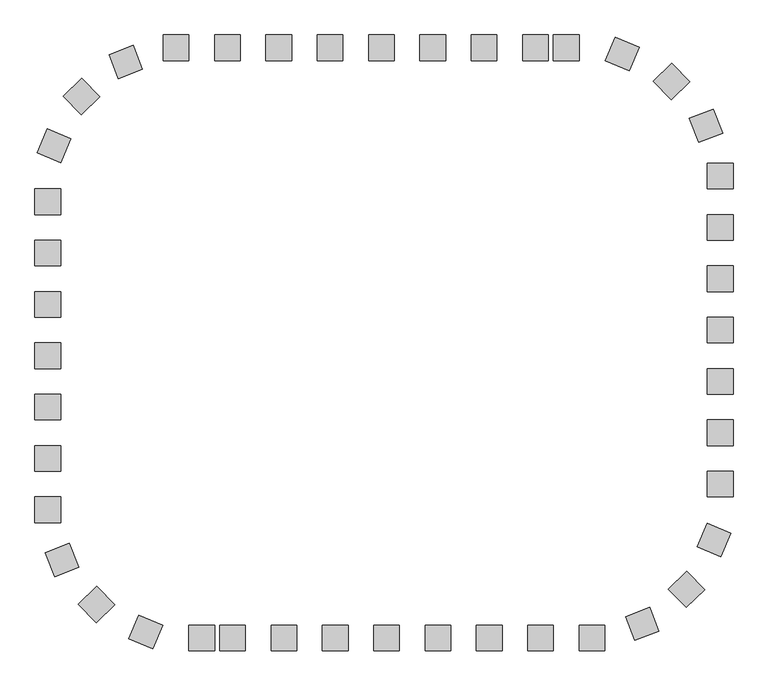
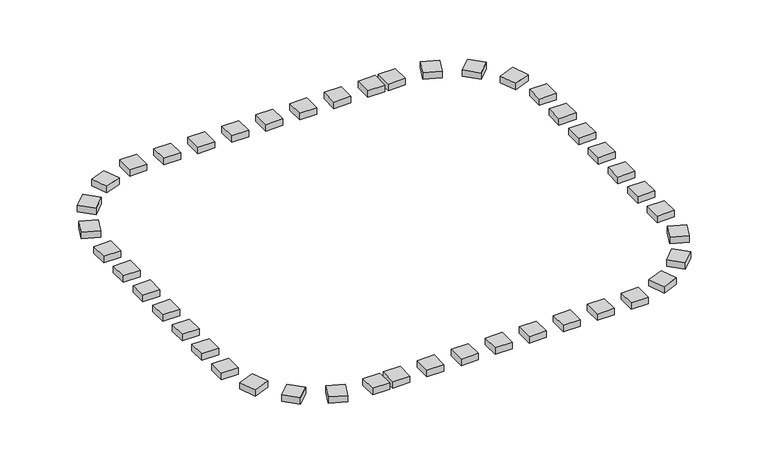
"""IFC4 building model written with IfcOpenShell, lengths in millimetres: railing geometry."""

from ifc_helpers import new_model, si_unit, origin, origin_with_axes, place, context, project, spatial, polyline, outline, extrude, source, transform, mapped, element, save


def railing_b4ef63c5(model_context):
    return source(origin(), model_context, "Body", "SweptSolid", [
        extrude(outline(polyline([(-57457.9798567, -75012.6833659), (-57457.9798567, -75512.6833659), (-57957.9798567, -75512.6833659), (-57957.9798567, -75012.6833659), (-57457.9798567, -75012.6833659)])), origin_with_axes(), (0.0, 0.0, 1.0), 200.0),
        extrude(outline(polyline([(-58457.9798567, -75012.6833659), (-58457.9798567, -75512.6833659), (-58957.9798567, -75512.6833659), (-58957.9798567, -75012.6833659), (-58457.9798567, -75012.6833659)])), origin_with_axes(), (0.0, 0.0, 1.0), 200.0),
        extrude(outline(polyline([(-59457.9798567, -75012.6833659), (-59457.9798567, -75512.6833659), (-59957.9798567, -75512.6833659), (-59957.9798567, -75012.6833659), (-59457.9798567, -75012.6833659)])), origin_with_axes(), (0.0, 0.0, 1.0), 200.0),
        extrude(outline(polyline([(-60457.9798567, -75012.6833659), (-60457.9798567, -75512.6833659), (-60957.9798567, -75512.6833659), (-60957.9798567, -75012.6833659), (-60457.9798567, -75012.6833659)])), origin_with_axes(), (0.0, 0.0, 1.0), 200.0),
        extrude(outline(polyline([(-61457.9798567, -75012.6833659), (-61457.9798567, -75512.6833659), (-61957.9798567, -75512.6833659), (-61957.9798567, -75012.6833659), (-61457.9798567, -75012.6833659)])), origin_with_axes(), (0.0, 0.0, 1.0), 200.0),
        extrude(outline(polyline([(-62457.9798567, -75012.6833659), (-62457.9798567, -75512.6833659), (-62957.9798567, -75512.6833659), (-62957.9798567, -75012.6833659), (-62457.9798567, -75012.6833659)])), origin_with_axes(), (0.0, 0.0, 1.0), 200.0),
        extrude(outline(polyline([(-63457.9798567, -75012.6833659), (-63457.9798567, -75512.6833659), (-63957.9798567, -75512.6833659), (-63957.9798567, -75012.6833659), (-63457.9798567, -75012.6833659)])), origin_with_axes(), (0.0, 0.0, 1.0), 200.0),
        extrude(outline(polyline([(-65545.0531201, -75216.566108), (-65363.8742429, -75682.5856509), (-65829.8937858, -75863.7645282), (-66011.0726631, -75397.7449852), (-65545.0531201, -75216.566108)])), origin_with_axes(), (0.0, 0.0, 1.0), 200.0),
        extrude(outline(polyline([(-66548.0999847, -75860.6150932), (-66199.74663, -76219.2931386), (-66558.4246755, -76567.6464933), (-66906.7780302, -76208.9684478), (-66548.0999847, -75860.6150932)])), origin_with_axes(), (0.0, 0.0, 1.0), 200.0),
        extrude(outline(polyline([(-67221.1628387, -76844.4283389), (-66760.6323417, -77039.1375101), (-66955.3415128, -77499.6680071), (-67415.8720098, -77304.9588359), (-67221.1628387, -76844.4283389)])), origin_with_axes(), (0.0, 0.0, 1.0), 200.0),
        extrude(outline(polyline([(-67457.9798567, -79012.6833659), (-66957.9798567, -79012.6833659), (-66957.9798567, -79512.6833659), (-67457.9798567, -79512.6833659), (-67457.9798567, -79012.6833659)])), origin_with_axes(), (0.0, 0.0, 1.0), 200.0),
        extrude(outline(polyline([(-67457.9798567, -80012.6833659), (-66957.9798567, -80012.6833659), (-66957.9798567, -80512.6833659), (-67457.9798567, -80512.6833659), (-67457.9798567, -80012.6833659)])), origin_with_axes(), (0.0, 0.0, 1.0), 200.0),
        extrude(outline(polyline([(-67457.9798567, -81012.6833659), (-66957.9798567, -81012.6833659), (-66957.9798567, -81512.6833659), (-67457.9798567, -81512.6833659), (-67457.9798567, -81012.6833659)])), origin_with_axes(), (0.0, 0.0, 1.0), 200.0),
        extrude(outline(polyline([(-67457.9798567, -82012.6833659), (-66957.9798567, -82012.6833659), (-66957.9798567, -82512.6833659), (-67457.9798567, -82512.6833659), (-67457.9798567, -82012.6833659)])), origin_with_axes(), (0.0, 0.0, 1.0), 200.0),
        extrude(outline(polyline([(-67457.9798567, -83012.6833659), (-66957.9798567, -83012.6833659), (-66957.9798567, -83512.6833659), (-67457.9798567, -83512.6833659), (-67457.9798567, -83012.6833659)])), origin_with_axes(), (0.0, 0.0, 1.0), 200.0),
        extrude(outline(polyline([(-67254.0971146, -85099.7566293), (-66788.0775716, -84918.5777521), (-66606.8986944, -85384.597295), (-67072.9182373, -85565.7761723), (-67254.0971146, -85099.7566293)])), origin_with_axes(), (0.0, 0.0, 1.0), 200.0),
        extrude(outline(polyline([(-66610.0481294, -86102.8034939), (-66251.3700839, -85754.4501392), (-65903.0167292, -86113.1281847), (-66261.6947747, -86461.4815394), (-66610.0481294, -86102.8034939)])), origin_with_axes(), (0.0, 0.0, 1.0), 200.0),
        extrude(outline(polyline([(-65626.2348836, -86775.8663479), (-65431.5257124, -86315.3358509), (-64970.9952154, -86510.045022), (-65165.7043866, -86970.575519), (-65626.2348836, -86775.8663479)])), origin_with_axes(), (0.0, 0.0, 1.0), 200.0),
        extrude(outline(polyline([(-63857.9798567, -87012.6833659), (-63857.9798567, -86512.6833659), (-63357.9798567, -86512.6833659), (-63357.9798567, -87012.6833659), (-63857.9798567, -87012.6833659)])), origin_with_axes(), (0.0, 0.0, 1.0), 200.0),
        extrude(outline(polyline([(-62857.9798567, -87012.6833659), (-62857.9798567, -86512.6833659), (-62357.9798567, -86512.6833659), (-62357.9798567, -87012.6833659), (-62857.9798567, -87012.6833659)])), origin_with_axes(), (0.0, 0.0, 1.0), 200.0),
        extrude(outline(polyline([(-61857.9798567, -87012.6833659), (-61857.9798567, -86512.6833659), (-61357.9798567, -86512.6833659), (-61357.9798567, -87012.6833659), (-61857.9798567, -87012.6833659)])), origin_with_axes(), (0.0, 0.0, 1.0), 200.0),
        extrude(outline(polyline([(-60857.9798567, -87012.6833659), (-60857.9798567, -86512.6833659), (-60357.9798567, -86512.6833659), (-60357.9798567, -87012.6833659), (-60857.9798567, -87012.6833659)])), origin_with_axes(), (0.0, 0.0, 1.0), 200.0),
        extrude(outline(polyline([(-59857.9798567, -87012.6833659), (-59857.9798567, -86512.6833659), (-59357.9798567, -86512.6833659), (-59357.9798567, -87012.6833659), (-59857.9798567, -87012.6833659)])), origin_with_axes(), (0.0, 0.0, 1.0), 200.0),
        extrude(outline(polyline([(-58857.9798567, -87012.6833659), (-58857.9798567, -86512.6833659), (-58357.9798567, -86512.6833659), (-58357.9798567, -87012.6833659), (-58857.9798567, -87012.6833659)])), origin_with_axes(), (0.0, 0.0, 1.0), 200.0),
        extrude(outline(polyline([(-57857.9798567, -87012.6833659), (-57857.9798567, -86512.6833659), (-57357.9798567, -86512.6833659), (-57357.9798567, -87012.6833659), (-57857.9798567, -87012.6833659)])), origin_with_axes(), (0.0, 0.0, 1.0), 200.0),
        extrude(outline(polyline([(-55770.9065932, -86808.8006238), (-55952.0854705, -86342.7810808), (-55486.0659275, -86161.6022035), (-55304.8870503, -86627.6217465), (-55770.9065932, -86808.8006238)])), origin_with_axes(), (0.0, 0.0, 1.0), 200.0),
        extrude(outline(polyline([(-54767.8597286, -86164.7516386), (-55116.2130833, -85806.0735931), (-54757.5350379, -85457.7202384), (-54409.1816832, -85816.3982839), (-54767.8597286, -86164.7516386)])), origin_with_axes(), (0.0, 0.0, 1.0), 200.0),
        extrude(outline(polyline([(-54094.7968747, -85180.9383928), (-54555.3273717, -84986.2292216), (-54360.6182005, -84525.6987246), (-53900.0877035, -84720.4078958), (-54094.7968747, -85180.9383928)])), origin_with_axes(), (0.0, 0.0, 1.0), 200.0),
        extrude(outline(polyline([(-53857.9798567, -83012.6833659), (-54357.9798567, -83012.6833659), (-54357.9798567, -82512.6833659), (-53857.9798567, -82512.6833659), (-53857.9798567, -83012.6833659)])), origin_with_axes(), (0.0, 0.0, 1.0), 200.0),
        extrude(outline(polyline([(-53857.9798567, -82012.6833659), (-54357.9798567, -82012.6833659), (-54357.9798567, -81512.6833659), (-53857.9798567, -81512.6833659), (-53857.9798567, -82012.6833659)])), origin_with_axes(), (0.0, 0.0, 1.0), 200.0),
        extrude(outline(polyline([(-53857.9798567, -81012.6833659), (-54357.9798567, -81012.6833659), (-54357.9798567, -80512.6833659), (-53857.9798567, -80512.6833659), (-53857.9798567, -81012.6833659)])), origin_with_axes(), (0.0, 0.0, 1.0), 200.0),
        extrude(outline(polyline([(-53857.9798567, -80012.6833659), (-54357.9798567, -80012.6833659), (-54357.9798567, -79512.6833659), (-53857.9798567, -79512.6833659), (-53857.9798567, -80012.6833659)])), origin_with_axes(), (0.0, 0.0, 1.0), 200.0),
        extrude(outline(polyline([(-53857.9798567, -79012.6833659), (-54357.9798567, -79012.6833659), (-54357.9798567, -78512.6833659), (-53857.9798567, -78512.6833659), (-53857.9798567, -79012.6833659)])), origin_with_axes(), (0.0, 0.0, 1.0), 200.0),
        extrude(outline(polyline([(-54061.8625988, -76925.6101024), (-54527.8821418, -77106.7889797), (-54709.061019, -76640.7694367), (-54243.041476, -76459.5905594), (-54061.8625988, -76925.6101024)])), origin_with_axes(), (0.0, 0.0, 1.0), 200.0),
        extrude(outline(polyline([(-54705.911584, -75922.5632378), (-55064.5896294, -76270.9165925), (-55412.9429841, -75912.238547), (-55054.2649386, -75563.8851924), (-54705.911584, -75922.5632378)])), origin_with_axes(), (0.0, 0.0, 1.0), 200.0),
        extrude(outline(polyline([(-55689.7248297, -75249.5003839), (-55884.4340009, -75710.0308809), (-56344.9644979, -75515.3217097), (-56150.2553267, -75054.7912127), (-55689.7248297, -75249.5003839)])), origin_with_axes(), (0.0, 0.0, 1.0), 200.0),
        extrude(outline(polyline([(-56857.9798567, -75012.6833659), (-56857.9798567, -75512.6833659), (-57357.9798567, -75512.6833659), (-57357.9798567, -75012.6833659), (-56857.9798567, -75012.6833659)])), origin_with_axes(), (0.0, 0.0, 1.0), 200.0),
        extrude(outline(polyline([(-64457.9798567, -75012.6833659), (-64457.9798567, -75512.6833659), (-64957.9798567, -75512.6833659), (-64957.9798567, -75012.6833659), (-64457.9798567, -75012.6833659)])), origin_with_axes(), (0.0, 0.0, 1.0), 200.0),
        extrude(outline(polyline([(-67457.9798567, -78012.6833659), (-66957.9798567, -78012.6833659), (-66957.9798567, -78512.6833659), (-67457.9798567, -78512.6833659), (-67457.9798567, -78012.6833659)])), origin_with_axes(), (0.0, 0.0, 1.0), 200.0),
        extrude(outline(polyline([(-67457.9798567, -84012.6833659), (-66957.9798567, -84012.6833659), (-66957.9798567, -84512.6833659), (-67457.9798567, -84512.6833659), (-67457.9798567, -84012.6833659)])), origin_with_axes(), (0.0, 0.0, 1.0), 200.0),
        extrude(outline(polyline([(-64457.9798567, -87012.6833659), (-64457.9798567, -86512.6833659), (-63957.9798567, -86512.6833659), (-63957.9798567, -87012.6833659), (-64457.9798567, -87012.6833659)])), origin_with_axes(), (0.0, 0.0, 1.0), 200.0),
        extrude(outline(polyline([(-56857.9798567, -87012.6833659), (-56857.9798567, -86512.6833659), (-56357.9798567, -86512.6833659), (-56357.9798567, -87012.6833659), (-56857.9798567, -87012.6833659)])), origin_with_axes(), (0.0, 0.0, 1.0), 200.0),
        extrude(outline(polyline([(-53857.9798567, -84012.6833659), (-54357.9798567, -84012.6833659), (-54357.9798567, -83512.6833659), (-53857.9798567, -83512.6833659), (-53857.9798567, -84012.6833659)])), origin_with_axes(), (0.0, 0.0, 1.0), 200.0),
        extrude(outline(polyline([(-53857.9798567, -78012.6833659), (-54357.9798567, -78012.6833659), (-54357.9798567, -77512.6833659), (-53857.9798567, -77512.6833659), (-53857.9798567, -78012.6833659)])), origin_with_axes(), (0.0, 0.0, 1.0), 200.0),
    ])


if __name__ == "__main__":
    model = new_model("IFC4")
    model_context = context("Model", 3, world=origin())
    ifc_project = project(units=[si_unit("LENGTHUNIT", "METRE", prefix="MILLI")], contexts=[model_context])
    site = spatial("IfcSite", under=ifc_project)
    building = spatial("IfcBuilding", under=site)
    placement = place(None, origin())
    railing_shape = railing_b4ef63c5(model_context)
    element("IfcRailing", 1, at=placement, inside=building, context=model_context, shape_type="MappedRepresentation", body=[
        mapped(railing_shape, transform((0.0, 0.0, 0.0), x_axis=(1.0, 0.0, 0.0), y_axis=(0.0, 1.0, 0.0), z_axis=(0.0, 0.0, 1.0))),
    ])
    save(model, "model.ifc")
